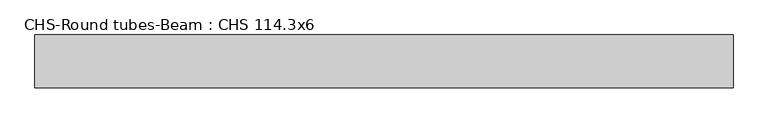
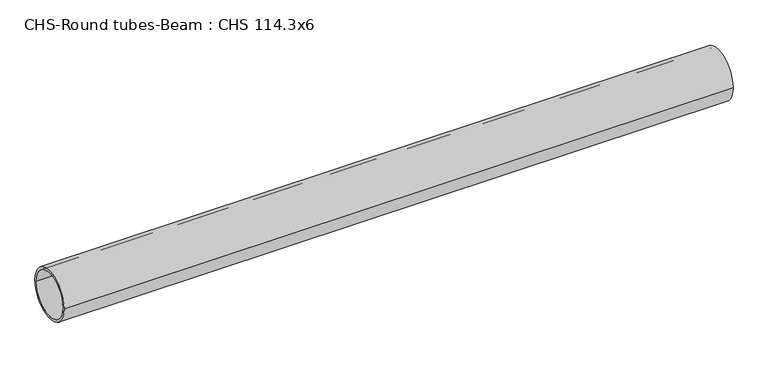
"""IFC4 building model written with IfcOpenShell, lengths in millimetres: beam geometry, CHS-Round tubes-Beam : CHS 114.3x6."""

from ifc_helpers import new_model, si_unit, point, frame, origin, origin_2d, place, context, project, spatial, circle_curve, trimmed, segment, composite_curve, outline, extrude, source, transform, mapped, element, save


def chs_round_tubes_beam_chs_114_3x6_85970143(model_context):
    return source(origin(), model_context, "Body", "SweptSolid", [
        extrude(outline(composite_curve([segment(trimmed(circle_curve(origin_2d(), 57.15), [point((57.15, 0.0))], [point((-57.15, 0.0))], False, "CARTESIAN"), True, "CONTINUOUS"), segment(trimmed(circle_curve(origin_2d(), 57.15), [point((-57.15, 0.0))], [point((57.15, 0.0))], False, "CARTESIAN"), True, "CONTINUOUS")], self_intersect=False), holes=[composite_curve([segment(trimmed(circle_curve(origin_2d(), 51.15), [point((51.15, 0.0))], [point((-51.15, 0.0))], True, "CARTESIAN"), True, "CONTINUOUS"), segment(trimmed(circle_curve(origin_2d(), 51.15), [point((-51.15, 0.0))], [point((51.15, 0.0))], True, "CARTESIAN"), True, "CONTINUOUS")], self_intersect=False)]), frame((-747.1781643, 0.0, 0.0), z_axis=(1.0, 0.0, 0.0), x_axis=(0.0, 1.0, 0.0)), (0.0, 0.0, 1.0), 1507.6451365),
    ])


if __name__ == "__main__":
    model = new_model("IFC4")
    model_context = context("Model", 3, world=origin())
    ifc_project = project(units=[si_unit("LENGTHUNIT", "METRE", prefix="MILLI")], contexts=[model_context])
    site = spatial("IfcSite", under=ifc_project)
    building = spatial("IfcBuilding", under=site)
    placement = place(None, origin())
    chs_round_tubes_beam_chs_114_3x6_shape = chs_round_tubes_beam_chs_114_3x6_85970143(model_context)
    element("IfcBeam", 1, ObjectType="CHS-Round tubes-Beam : CHS 114.3x6", at=placement, inside=building, context=model_context, shape_type="MappedRepresentation", body=[
        mapped(chs_round_tubes_beam_chs_114_3x6_shape, transform((0.0, 0.0, 0.0), x_axis=(1.0, 0.0, 0.0), y_axis=(0.0, 1.0, 0.0), z_axis=(0.0, 0.0, 1.0))),
    ])
    save(model, "model.ifc")
